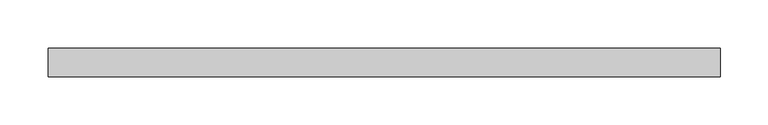
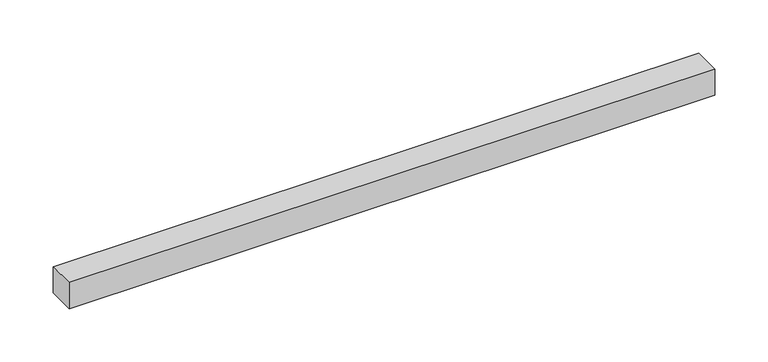
"""IFC4 building model written with IfcOpenShell, lengths in millimetres: proxy geometry."""

from ifc_helpers import new_model, si_unit, frame, origin, place, context, project, spatial, polyline, outline, extrude, source, transform, mapped, element, save


def mechanical_equipment_6a8e3e01(model_context):
    return source(origin(), model_context, "Body", "SweptSolid", [
        extrude(outline(polyline([(700.0, 15.0), (700.0, -15.0), (0.0, -15.0), (0.0, 15.0), (700.0, 15.0)])), frame((0.0, 0.0, -15.0), z_axis=(0.0, 0.0, 1.0), x_axis=(1.0, 0.0, 0.0)), (0.0, 0.0, 1.0), 30.0),
    ])


if __name__ == "__main__":
    model = new_model("IFC4")
    model_context = context("Model", 3, world=origin())
    ifc_project = project(units=[si_unit("LENGTHUNIT", "METRE", prefix="MILLI")], contexts=[model_context])
    site = spatial("IfcSite", under=ifc_project)
    building = spatial("IfcBuilding", under=site)
    placement = place(None, origin())
    mechanical_equipment_shape = mechanical_equipment_6a8e3e01(model_context)
    element("IfcBuildingElementProxy", 1, Name="Mechanical Equipment", at=placement, inside=building, context=model_context, shape_type="MappedRepresentation", body=[
        mapped(mechanical_equipment_shape, transform((0.0, 0.0, 0.0), x_axis=(1.0, 0.0, 0.0), y_axis=(0.0, 1.0, 0.0), z_axis=(0.0, 0.0, 1.0))),
    ])
    save(model, "model.ifc")
